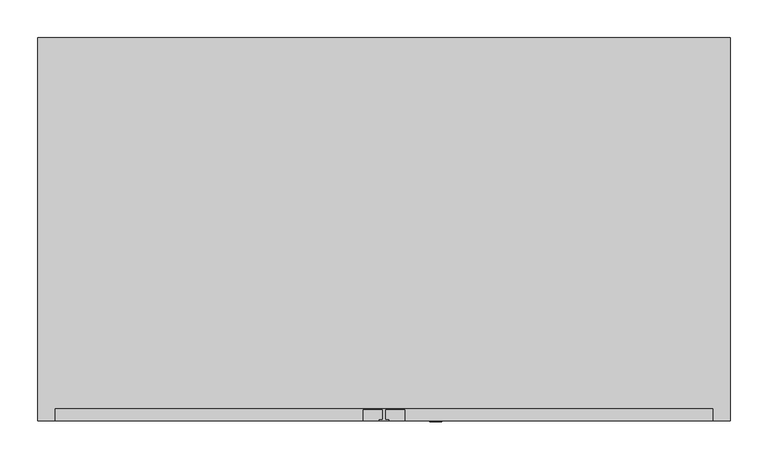
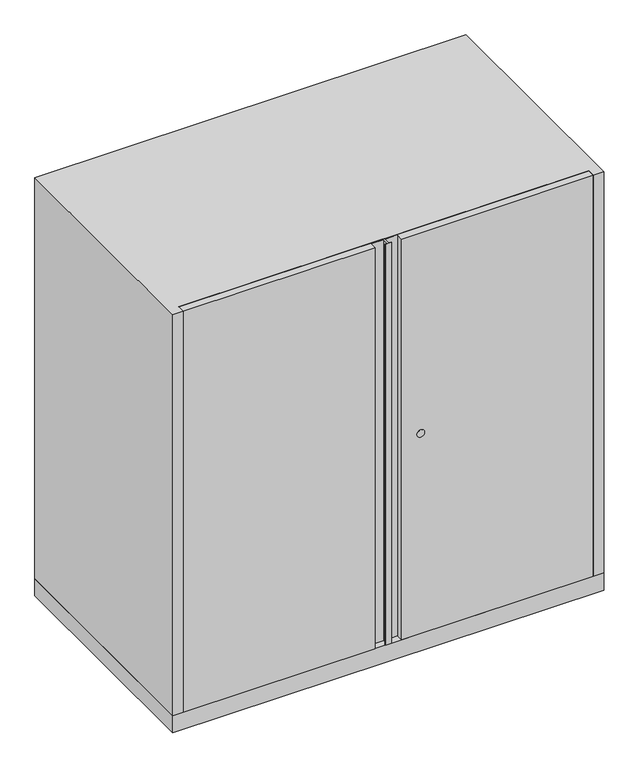
"""IFC4 building model written with IfcOpenShell, lengths in millimetres: furniture geometry."""

from ifc_helpers import new_model, si_unit, point, frame, frame_2d, origin, origin_with_axes, place, context, project, spatial, polyline, circle_curve, trimmed, segment, composite_curve, outline, extrude, source, transform, mapped, element, save


def furniture_5d541488(model_context):
    return source(origin(), model_context, "Body", "SweptSolid", [
        extrude(outline(polyline([(455.6125, -252.4125), (433.3875, -252.4125), (433.3875, -235.7501), (-433.3875, -235.7501), (-433.3875, -252.4125), (-455.6125, -252.4125), (-455.6125, 252.4125), (455.6125, 252.4125), (455.6125, -252.4125)])), frame((0.0, 0.0, 38.1), z_axis=(0.0, 0.0, 1.0), x_axis=(1.0, 0.0, 0.0)), (0.0, 0.0, 1.0), 895.35),
        extrude(outline(polyline([(-28.1686, -237.2741), (-28.1686, -252.4125), (-433.3875, -252.4125), (-433.3875, -235.7501), (433.3875, -235.7501), (433.3875, -252.4125), (28.1686, -252.4125), (28.1686, -237.2741), (1.524, -237.2741), (1.524, -250.8885), (6.35, -250.8885), (6.35, -252.4125), (-6.35, -252.4125), (-6.35, -250.8885), (-1.524, -250.8885), (-1.524, -237.2741), (-28.1686, -237.2741)])), frame((0.0, 0.0, 38.1), z_axis=(0.0, 0.0, 1.0), x_axis=(1.0, 0.0, 0.0)), (0.0, 0.0, 1.0), 895.35),
        extrude(outline(polyline([(455.6125, 252.4125), (455.6125, -252.4125), (-455.6125, -252.4125), (-455.6125, 252.4125), (455.6125, 252.4125)])), origin_with_axes(), (0.0, 0.0, 1.0), 38.1),
        extrude(outline(composite_curve([segment(trimmed(circle_curve(frame_2d((485.775, 68.2625)), 8.001), [point((485.775, 76.2635))], [point((485.775, 60.2615))], False, "CARTESIAN"), True, "CONTINUOUS"), segment(trimmed(circle_curve(frame_2d((485.775, 68.2625)), 8.001), [point((485.775, 60.2615))], [point((485.775, 76.2635))], False, "CARTESIAN"), True, "CONTINUOUS")], self_intersect=False)), frame((0.0, -253.20752, 0.0), z_axis=(0.0, 1.0, 0.0), x_axis=(0.0, 0.0, 1.0)), (0.0, 0.0, 1.0), 0.79502),
    ])


if __name__ == "__main__":
    model = new_model("IFC4")
    model_context = context("Model", 3, world=origin())
    ifc_project = project(units=[si_unit("LENGTHUNIT", "METRE", prefix="MILLI")], contexts=[model_context])
    site = spatial("IfcSite", under=ifc_project)
    building = spatial("IfcBuilding", under=site)
    placement = place(None, origin())
    furniture_shape = furniture_5d541488(model_context)
    element("IfcFurniture", 1, at=placement, inside=building, context=model_context, shape_type="MappedRepresentation", body=[
        mapped(furniture_shape, transform((0.0, 0.0, 0.0), x_axis=(1.0, 0.0, 0.0), y_axis=(0.0, 1.0, 0.0), z_axis=(0.0, 0.0, 1.0))),
    ])
    save(model, "model.ifc")
